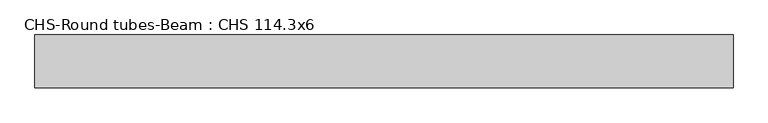
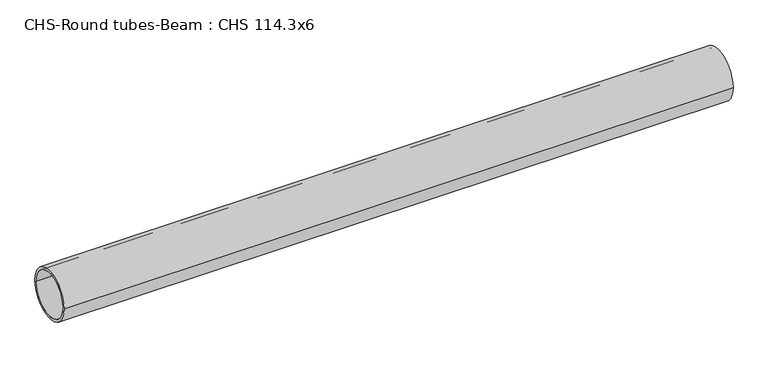
"""IFC4 building model written with IfcOpenShell, lengths in millimetres: beam geometry, CHS-Round tubes-Beam : CHS 114.3x6."""

from ifc_helpers import new_model, si_unit, point, frame, origin, origin_2d, place, context, project, spatial, circle_curve, trimmed, segment, composite_curve, outline, extrude, source, transform, mapped, element, save


def chs_round_tubes_beam_chs_114_3x6_0b219225(model_context):
    return source(origin(), model_context, "Body", "SweptSolid", [
        extrude(outline(composite_curve([segment(trimmed(circle_curve(origin_2d(), 57.15), [point((57.15, 0.0))], [point((-57.15, 0.0))], False, "CARTESIAN"), True, "CONTINUOUS"), segment(trimmed(circle_curve(origin_2d(), 57.15), [point((-57.15, 0.0))], [point((57.15, 0.0))], False, "CARTESIAN"), True, "CONTINUOUS")], self_intersect=False), holes=[composite_curve([segment(trimmed(circle_curve(origin_2d(), 51.15), [point((51.15, 0.0))], [point((-51.15, 0.0))], True, "CARTESIAN"), True, "CONTINUOUS"), segment(trimmed(circle_curve(origin_2d(), 51.15), [point((-51.15, 0.0))], [point((51.15, 0.0))], True, "CARTESIAN"), True, "CONTINUOUS")], self_intersect=False)]), frame((-727.5532706, 0.0, 0.0), z_axis=(1.0, 0.0, 0.0), x_axis=(0.0, 1.0, 0.0)), (0.0, 0.0, 1.0), 1509.6632076),
    ])


if __name__ == "__main__":
    model = new_model("IFC4")
    model_context = context("Model", 3, world=origin())
    ifc_project = project(units=[si_unit("LENGTHUNIT", "METRE", prefix="MILLI")], contexts=[model_context])
    site = spatial("IfcSite", under=ifc_project)
    building = spatial("IfcBuilding", under=site)
    placement = place(None, origin())
    chs_round_tubes_beam_chs_114_3x6_shape = chs_round_tubes_beam_chs_114_3x6_0b219225(model_context)
    element("IfcBeam", 1, ObjectType="CHS-Round tubes-Beam : CHS 114.3x6", at=placement, inside=building, context=model_context, shape_type="MappedRepresentation", body=[
        mapped(chs_round_tubes_beam_chs_114_3x6_shape, transform((0.0, 0.0, 0.0), x_axis=(1.0, 0.0, 0.0), y_axis=(0.0, 1.0, 0.0), z_axis=(0.0, 0.0, 1.0))),
    ])
    save(model, "model.ifc")
